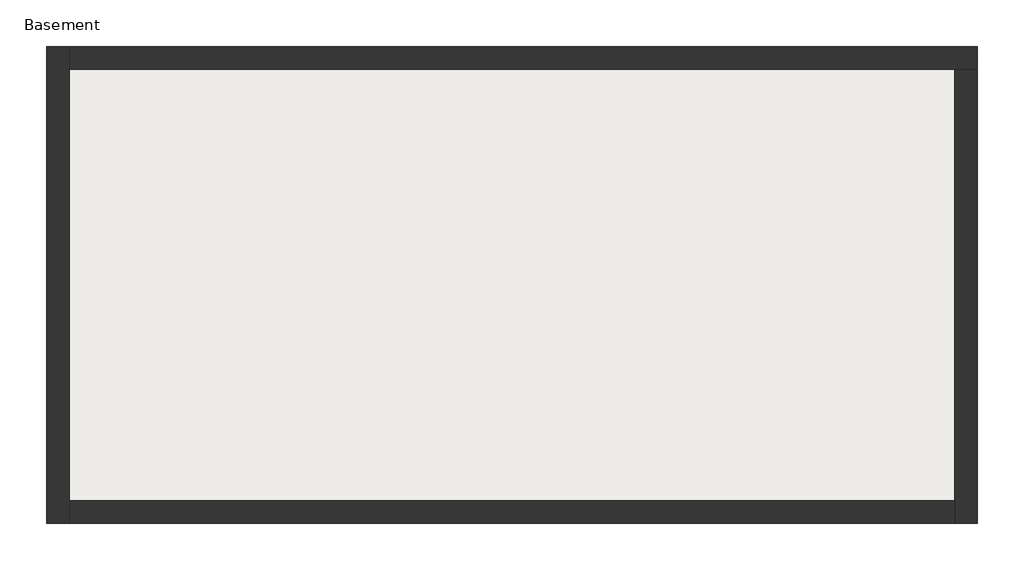
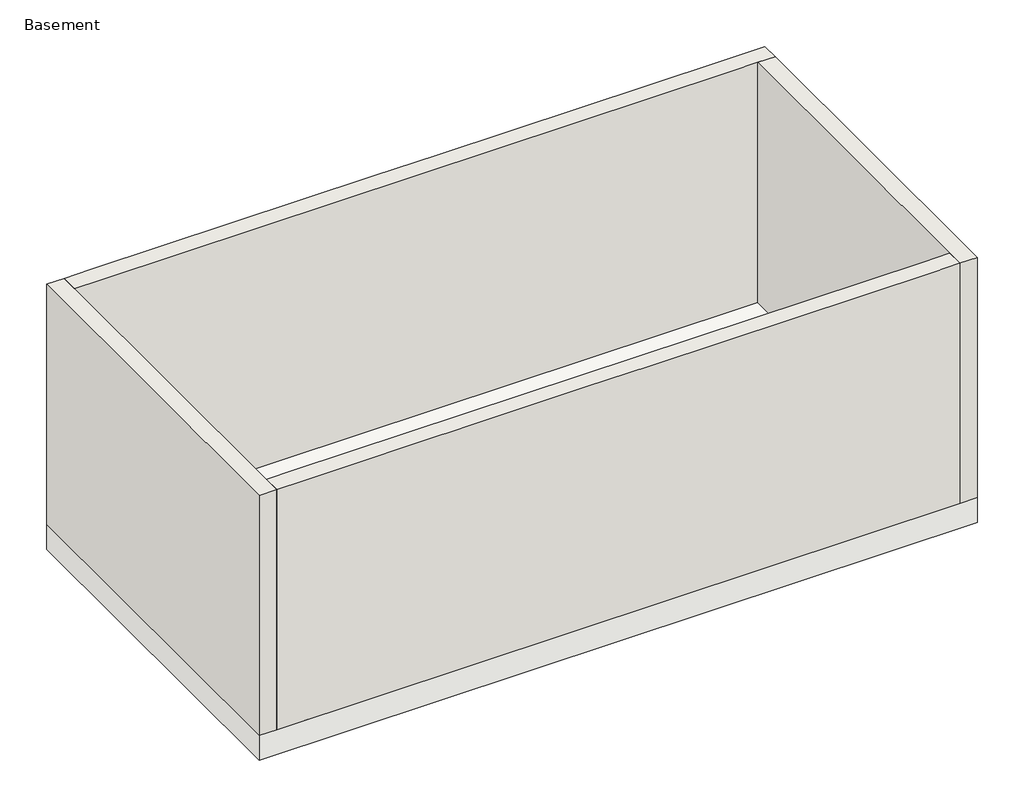
# One storey: 4 walls, 1 slab.
"""IFC4 building model written with IfcOpenShell, lengths in millimetres."""

from ifc_helpers import new_model, si_unit, frame, origin, place, context, project, spatial, polyline, outline, extrude, faceted_brep, element, save

model = new_model("IFC4")

# Units and contexts
model_context = context("Model", 3, world=origin())
ifc_project = project(units=[si_unit("LENGTHUNIT", "METRE", prefix="MILLI")], contexts=[model_context])

# Site, building, storey
site = spatial("IfcSite", under=ifc_project)
building = spatial("IfcBuilding", under=site)
storey = spatial("IfcBuildingStorey", under=building, Name="Basement", Elevation=0.0)

# Slab
placement = place(None, origin())
element("IfcSlab", 1, ObjectType="Foundation Slab 1", at=placement, inside=storey, context=model_context, shape_type="SweptSolid", body=[
    extrude(outline(polyline([(9876.8666032, 5951.6106545), (9876.8666032, 1751.6106545), (1676.8666032, 1751.6106545), (1676.8666032, 5951.6106545), (9876.8666032, 5951.6106545)])), frame((0.0, 0.0, -300.0), z_axis=(0.0, 0.0, 1.0), x_axis=(1.0, 0.0, 0.0)), (0.0, 0.0, 1.0), 300.0),
])

# Walls
element("IfcWall", 2, ObjectType="Cast In Situ - Concrete 250", at=placement, inside=storey, context=model_context, shape_type="Brep", body=[
    faceted_brep([(1876.8666032, 1751.6106545, 0.0), (1876.8666032, 1951.6106545, 0.0), (1876.8666032, 5751.6106545, 0.0), (1876.8666032, 5951.6106545, 0.0), (1876.8666032, 5951.6106545, 2900.0), (1876.8666032, 5751.6106545, 2900.0), (1876.8666032, 1951.6106545, 2900.0), (1876.8666032, 1751.6106545, 2900.0), (1676.8666032, 1751.6106545, 0.0), (1676.8666032, 1751.6106545, 2900.0), (1676.8666032, 5951.6106545, 2900.0), (1676.8666032, 5951.6106545, 0.0)], [[[0, 1, 2, 3, 4, 5, 6, 7]], [[8, 9, 10, 11]], [[3, 2, 1, 0, 8, 11]], [[7, 6, 5, 4, 10, 9]], [[4, 3, 11, 10]], [[0, 7, 9, 8]]]),
])
element("IfcWall", 3, ObjectType="Cast In Situ - Concrete 250", at=placement, inside=storey, context=model_context, shape_type="Brep", body=[
    faceted_brep([(1876.8666032, 5751.6106545, 0.0), (9676.8666032, 5751.6106545, 0.0), (9876.8666032, 5751.6106545, 0.0), (9876.8666032, 5751.6106545, 2900.0), (9676.8666032, 5751.6106545, 2900.0), (9376.8666032, 5751.6106545, 2900.0), (2176.8666032, 5751.6106545, 2900.0), (1876.8666032, 5751.6106545, 2900.0), (1876.8666032, 5951.6106545, 0.0), (1876.8666032, 5951.6106545, 2900.0), (2176.8666032, 5951.6106545, 2900.0), (5401.8666032, 5951.6106545, 2900.0), (6151.8666032, 5951.6106545, 2900.0), (9376.8666032, 5951.6106545, 2900.0), (9876.8666032, 5951.6106545, 2900.0), (9876.8666032, 5951.6106545, 0.0)], [[[0, 1, 2, 3, 4, 5, 6, 7]], [[8, 9, 10, 11, 12, 13, 14, 15]], [[2, 1, 0, 8, 15]], [[7, 6, 5, 4, 3, 14, 13, 12, 11, 10, 9]], [[0, 7, 9, 8]], [[3, 2, 15, 14]]]),
])
element("IfcWall", 4, ObjectType="Cast In Situ - Concrete 250", at=placement, inside=storey, context=model_context, shape_type="Brep", body=[
    faceted_brep([(9676.8666032, 5751.6106545, 0.0), (9676.8666032, 1951.6106545, 0.0), (9676.8666032, 1751.6106545, 0.0), (9676.8666032, 1751.6106545, 2900.0), (9676.8666032, 1951.6106545, 2900.0), (9676.8666032, 5751.6106545, 2900.0), (9876.8666032, 5751.6106545, 0.0), (9876.8666032, 5751.6106545, 2900.0), (9876.8666032, 1951.6106545, 2900.0), (9876.8666032, 1751.6106545, 2900.0), (9876.8666032, 1751.6106545, 0.0)], [[[0, 1, 2, 3, 4, 5]], [[6, 7, 8, 9, 10]], [[2, 1, 0, 6, 10]], [[5, 4, 3, 9, 8, 7]], [[0, 5, 7, 6]], [[3, 2, 10, 9]]]),
])
element("IfcWall", 5, ObjectType="Cast In Situ - Concrete 250", at=placement, inside=storey, context=model_context, shape_type="Brep", body=[
    faceted_brep([(9676.8666032, 1951.6106545, 0.0), (1876.8666032, 1951.6106545, 0.0), (1876.8666032, 1951.6106545, 2900.0), (2176.8666032, 1951.6106545, 2900.0), (9376.8666032, 1951.6106545, 2900.0), (9676.8666032, 1951.6106545, 2900.0), (9676.8666032, 1751.6106545, 0.0), (9676.8666032, 1751.6106545, 2900.0), (9376.8666032, 1751.6106545, 2900.0), (6151.8666032, 1751.6106545, 2900.0), (5401.8666032, 1751.6106545, 2900.0), (2176.8666032, 1751.6106545, 2900.0), (1876.8666032, 1751.6106545, 2900.0), (1876.8666032, 1751.6106545, 0.0)], [[[0, 1, 2, 3, 4, 5]], [[6, 7, 8, 9, 10, 11, 12, 13]], [[1, 0, 6, 13]], [[5, 4, 3, 2, 12, 11, 10, 9, 8, 7]], [[2, 1, 13, 12]], [[0, 5, 7, 6]]]),
])

save(model, "model.ifc")
